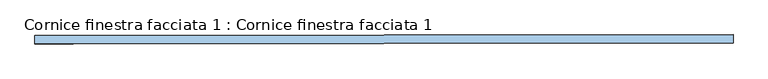
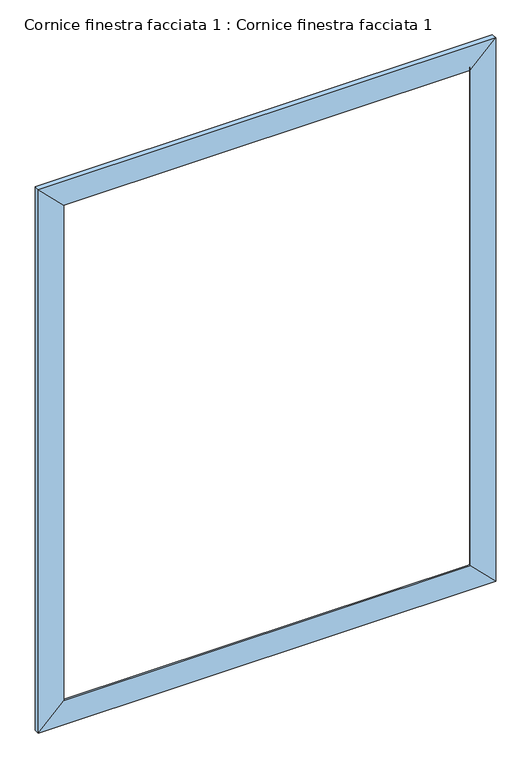
"""IFC4 building model written with IfcOpenShell, lengths in millimetres: window geometry, Cornice finestra facciata 1 : Cornice finestra facciata 1."""

from ifc_helpers import new_model, si_unit, frame, origin, place, context, project, spatial, ellipse_curve, source, transform, mapped, element, save
from ifc_brep_helpers import plane_surface, cylinder_surface, advanced_brep


def cornice_finestra_facciata_1_cornice_finestra_facciata_1_bbb75b9c(model_context):
    return source(origin(), model_context, "Body", "AdvancedBrep", [
        advanced_brep(
        [(-35094.5278438, 123074.5559528, 259.1180421), (-35094.5278438, 123112.320337, 259.1711091), (-31855.1824579, 123116.8723104, 259.1711091), (-31855.076324, 123079.1080754, 259.1180421), (-34915.9385639, 123074.5559528, 437.7071457), (-32033.6648987, 123078.6061641, 437.7071457), (-34953.702948, 123112.320337, 399.9958658), (-31996.0067975, 123116.476533, 399.9958658), (-31855.1824579, 123116.8723104, 4325.5424888), (-31855.076324, 123079.1080754, 4325.5955558), (-32033.6648987, 123078.6061641, 4147.0064522), (-31996.0067975, 123116.476533, 4184.717732), (-35094.5278438, 123112.320337, 4325.5424888), (-35094.5278438, 123074.5559528, 4325.5955558), (-34915.9385639, 123074.5559528, 4147.0064522), (-34953.702948, 123112.320337, 4184.717732)],
        [
            (0, 1),
            (1, 2),
            (2, 3),
            (3, 0),
            (4, 0),
            (3, 5),
            (5, 4),
            (6, 4, ellipse_curve(frame((-34953.702948, 123074.5559528, 399.9427988), z_axis=(0.7071060830517453, 0.0009936353559959201, -0.7071067811865458), x_axis=(-0.7071060830517419, -0.0009936353559959145, -0.7071067811865491)), 53.4069043, 37.7643842)),
            (5, 7, ellipse_curve(frame((-31995.9006636, 123078.712298, 399.9427988), z_axis=(-0.7071060830517437, -0.0009936353559959223, -0.7071067811865474), x_axis=(-0.7071060830517433, -0.0009936353559959123, 0.7071067811865478)), 53.4069043, 37.7643842)),
            (7, 6),
            (1, 6),
            (7, 2),
            (2, 8),
            (8, 9),
            (9, 3),
            (9, 10),
            (10, 5),
            (10, 11, ellipse_curve(frame((-31995.9006636, 123078.712298, 4184.770799), z_axis=(0.7071060830517436, 0.000993635355995903, -0.7071067811865476), x_axis=(-0.7071060830517437, -0.0009936353559959127, -0.7071067811865474)), 53.4069043, 37.7643842)),
            (11, 7),
            (11, 8),
            (8, 12),
            (12, 13),
            (13, 9),
            (13, 14),
            (14, 10),
            (14, 15, ellipse_curve(frame((-34953.702948, 123074.5559528, 4184.770799), z_axis=(0.7071060830517419, 0.0009936353559959052, 0.7071067811865491), x_axis=(0.7071060830517453, 0.0009936353559959104, -0.7071067811865459)), 53.4069043, 37.7643842)),
            (15, 11),
            (15, 12),
            (12, 1),
            (0, 13),
            (4, 14),
            (6, 15),
        ],
        [
            plane_surface(frame((-35094.5278438, 123112.320337, 259.1711091), z_axis=(-1.9746224416342495e-06, 0.0014052112091199954, -0.999999012688292), x_axis=(0.9999990126882919, 0.0014052125965048536, 0.0))),
            plane_surface(frame((-35094.5278438, 123074.5559528, 259.1180421), z_axis=(0.001405211209120125, -0.9999980253775587, -0.0014052125965028448), x_axis=(0.9999990126882919, 0.0014052125965029738, 0.0))),
            cylinder_surface(frame((-34915.9382858, 123074.6090203, 399.9427988), z_axis=(-0.999999012688292, -0.001405212596502845, 0.0), x_axis=(1.974622441445974e-06, -0.0014052112091199958, 0.9999990126882919)), 37.7643842),
            plane_surface(frame((-34953.702948, 123112.320337, 399.9958658), z_axis=(-0.0014052112091231265, 0.9999980253775587, 0.0014052125965028448), x_axis=(0.9999990126882919, 0.0014052125965059758, 0.0))),
            plane_surface(frame((-31855.1824579, 123116.8723104, 259.1711091), z_axis=(0.9999960507551173, 0.002810422418239985, 0.0), x_axis=(0.0, 0.0, 1.0))),
            plane_surface(frame((-31855.076324, 123079.1080754, 259.1180421), z_axis=(0.002810422418239985, -0.9999960507551173, 0.0), x_axis=(0.0, 0.0, 1.0))),
            cylinder_surface(frame((-31995.9006636, 123078.712298, 437.7074984), z_axis=(0.0, 0.0, -1.0), x_axis=(-0.9999960507551173, -0.002810422418239985, 0.0)), 37.7643842),
            plane_surface(frame((-31996.0067975, 123116.476533, 399.9958658), z_axis=(-0.002810422418239985, 0.9999960507551173, 0.0), x_axis=(0.0, 0.0, 1.0))),
            plane_surface(frame((-31855.1824579, 123116.8723104, 4325.5424888), z_axis=(-1.974622441033182e-06, 0.0014052112091199962, 0.9999990126882919), x_axis=(-0.9999990126882919, -0.0014052125965008525, 0.0))),
            plane_surface(frame((-31855.076324, 123079.1080754, 4325.5955558), z_axis=(0.0014052112091214738, -0.9999980253775587, 0.0014052125965028452), x_axis=(-0.9999990126882919, -0.0014052125965043228, 0.0))),
            cylinder_surface(frame((-32033.6653259, 123078.6592305, 4184.770799), z_axis=(0.9999990126882919, 0.0014052125965028312, 0.0), x_axis=(1.974622441328395e-06, -0.001405211209119996, -0.9999990126882919)), 37.7643842),
            plane_surface(frame((-31996.0067975, 123116.476533, 4184.717732), z_axis=(-0.0014052112091187496, 0.9999980253775587, -0.0014052125965028452), x_axis=(-0.9999990126882919, -0.0014052125965015975, 0.0))),
            plane_surface(frame((-35094.5278438, 123112.320337, 4325.5424888), z_axis=(-1.0, 0.0, 0.0), x_axis=(0.0, 0.0, -1.0))),
            plane_surface(frame((-35094.5278438, 123074.5559528, 4325.5955558), z_axis=(0.0, -1.0, 0.0), x_axis=(0.0, 0.0, -1.0))),
            cylinder_surface(frame((-34953.702948, 123074.5559528, 4147.0060995), z_axis=(0.0, 0.0, 1.0), x_axis=(1.0, 0.0, 0.0)), 37.7643842),
            plane_surface(frame((-34953.702948, 123112.320337, 4184.717732), z_axis=(0.0, 1.0, 0.0), x_axis=(0.0, 0.0, -1.0))),
        ],
        [
            (0, [[1, 2, 3, 4]]),
            (1, [[5, -4, 6, 7]]),
            (2, [[8, -7, 9, 10]]),
            (3, [[11, -10, 12, -2]]),
            (4, [[-3, 13, 14, 15]]),
            (5, [[-6, -15, 16, 17]]),
            (6, [[-9, -17, 18, 19]]),
            (7, [[-12, -19, 20, -13]]),
            (8, [[-14, 21, 22, 23]]),
            (9, [[-16, -23, 24, 25]]),
            (10, [[-18, -25, 26, 27]]),
            (11, [[-20, -27, 28, -21]]),
            (12, [[-22, 29, -1, 30]]),
            (13, [[-24, -30, -5, 31]]),
            (14, [[-26, -31, -8, 32]]),
            (15, [[-28, -32, -11, -29]]),
        ],
    ),
    ])


if __name__ == "__main__":
    model = new_model("IFC4")
    model_context = context("Model", 3, world=origin())
    ifc_project = project(units=[si_unit("LENGTHUNIT", "METRE", prefix="MILLI")], contexts=[model_context])
    site = spatial("IfcSite", under=ifc_project)
    building = spatial("IfcBuilding", under=site)
    placement = place(None, origin())
    cornice_finestra_facciata_1_cornice_finestra_facciata_1_shape = cornice_finestra_facciata_1_cornice_finestra_facciata_1_bbb75b9c(model_context)
    element("IfcWindow", 1, ObjectType="Cornice finestra facciata 1 : Cornice finestra facciata 1", at=placement, inside=building, context=model_context, shape_type="MappedRepresentation", body=[
        mapped(cornice_finestra_facciata_1_cornice_finestra_facciata_1_shape, transform((0.0, 0.0, 0.0), x_axis=(1.0, 0.0, 0.0), y_axis=(0.0, 1.0, 0.0), z_axis=(0.0, 0.0, 1.0))),
    ])
    save(model, "model.ifc")
